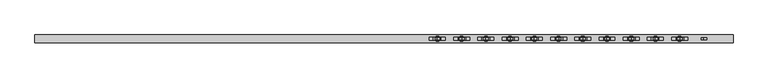
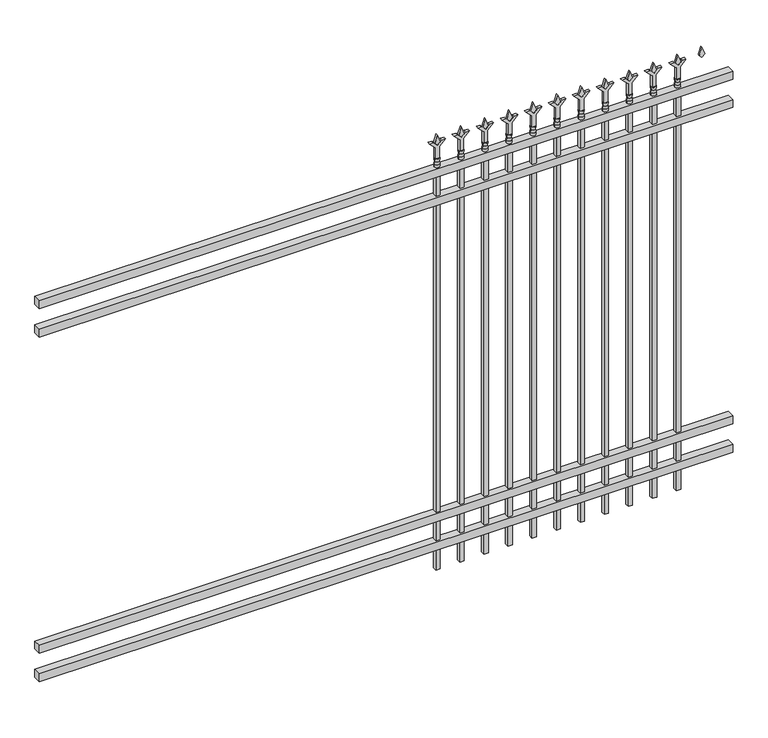
"""IFC4 building model written with IfcOpenShell, lengths in millimetres: railing geometry."""

from ifc_helpers import new_model, si_unit, frame, origin, place, context, project, spatial, polyline, circle_curve, outline, extrude, source, transform, mapped, element, save
from ifc_brep_helpers import plane_surface, cylinder_surface, revolved_surface, advanced_brep


def railing_ec3aab35(model_context):
    return source(origin(), model_context, "Body", "SolidModel", [
        extrude(outline(polyline([(-61345.318087, -9187.1195174), (-61345.318087, -9152.1945174), (-58195.718087, -9152.1945174), (-58195.718087, -9187.1195174), (-61345.318087, -9187.1195174)])), frame((0.0, 0.0, 1943.1), z_axis=(0.0, 0.0, 1.0), x_axis=(1.0, 0.0, 0.0)), (0.0, 0.0, 1.0), 38.1),
        extrude(outline(polyline([(-61345.318087, -9187.1195174), (-61345.318087, -9152.1945174), (-58195.718087, -9152.1945174), (-58195.718087, -9187.1195174), (-61345.318087, -9187.1195174)])), frame((0.0, 0.0, 1806.575), z_axis=(0.0, 0.0, 1.0), x_axis=(1.0, 0.0, 0.0)), (0.0, 0.0, 1.0), 38.1),
        extrude(outline(polyline([(-61345.318087, -9187.1195174), (-61345.318087, -9152.1945174), (-58195.718087, -9152.1945174), (-58195.718087, -9187.1195174), (-61345.318087, -9187.1195174)])), frame((0.0, 0.0, 288.925), z_axis=(0.0, 0.0, 1.0), x_axis=(1.0, 0.0, 0.0)), (0.0, 0.0, 1.0), 38.1),
        extrude(outline(polyline([(-61345.318087, -9187.1195174), (-61345.318087, -9152.1945174), (-58195.718087, -9152.1945174), (-58195.718087, -9187.1195174), (-61345.318087, -9187.1195174)])), frame((0.0, 0.0, 152.4), z_axis=(0.0, 0.0, 1.0), x_axis=(1.0, 0.0, 0.0)), (0.0, 0.0, 1.0), 38.1),
        extrude(outline(polyline([(2097.88125, -58424.8472536), (2133.6, -58436.7535036), (2097.88125, -58448.6597536), (2085.975, -58436.7535036), (2097.88125, -58424.8472536)])), frame((0.0, -9174.4195174, 0.0), z_axis=(0.0, 1.0, 0.0), x_axis=(0.0, 0.0, 1.0)), (0.0, 0.0, 1.0), 9.525),
        extrude(outline(polyline([(2022.475, -58428.0222536), (2076.7457378, -58428.0222536), (2103.9355122, -58400.8324791), (2103.9355122, -58418.7929914), (2085.975, -58436.7535036), (2103.9355122, -58454.7140159), (2103.9355122, -58472.6745281), (2076.7457378, -58445.4847536), (2022.475, -58445.4847536), (2022.475, -58428.0222536)])), frame((0.0, -9176.0070174, 0.0), z_axis=(0.0, 1.0, 0.0), x_axis=(0.0, 0.0, 1.0)), (0.0, 0.0, 1.0), 12.7),
        advanced_brep(
        [(-58424.8472536, -9169.6570174, 1993.9), (-58448.6597536, -9169.6570174, 1993.9), (-58448.6597536, -9169.6570174, 1981.2), (-58424.8472536, -9169.6570174, 1981.2), (-58427.0525855, -9169.6570174, 2006.4070585), (-58446.4544218, -9169.6570174, 2006.4070585), (-58424.8472536, -9169.6570174, 2022.475), (-58448.6597536, -9169.6570174, 2022.475), (-58436.7535036, -9169.6570174, 2022.475), (-58436.7535036, -9169.6570174, 1981.2)],
        [
            (0, 1, circle_curve(frame((-58436.7535036, -9169.6570174, 1993.9), z_axis=(0.0, 0.0, -1.0), x_axis=(-1.0, 0.0, 0.0)), 11.90625)),
            (1, 2),
            (2, 3, circle_curve(frame((-58436.7535036, -9169.6570174, 1981.2), z_axis=(0.0, 0.0, 1.0), x_axis=(-1.0, 0.0, 0.0)), 11.90625)),
            (3, 0),
            (1, 0, circle_curve(frame((-58436.7535036, -9169.6570174, 1993.9), z_axis=(0.0, 0.0, -1.0), x_axis=(-1.0, 0.0, 0.0)), 11.90625)),
            (3, 2, circle_curve(frame((-58436.7535036, -9169.6570174, 1981.2), z_axis=(0.0, 0.0, 1.0), x_axis=(-1.0, 0.0, 0.0)), 11.90625)),
            (4, 5, circle_curve(frame((-58436.7535036, -9169.6570174, 2006.4070585), z_axis=(0.0, 0.0, -1.0), x_axis=(-1.0, 0.0, 0.0)), 9.7009181)),
            (5, 1),
            (0, 4),
            (5, 4, circle_curve(frame((-58436.7535036, -9169.6570174, 2006.4070585), z_axis=(0.0, 0.0, -1.0), x_axis=(-1.0, 0.0, 0.0)), 9.7009181)),
            (6, 7, circle_curve(frame((-58436.7535036, -9169.6570174, 2022.475), z_axis=(0.0, 0.0, -1.0), x_axis=(-1.0, 0.0, 0.0)), 11.90625)),
            (7, 5),
            (4, 6),
            (7, 6, circle_curve(frame((-58436.7535036, -9169.6570174, 2022.475), z_axis=(0.0, 0.0, -1.0), x_axis=(-1.0, 0.0, 0.0)), 11.90625)),
            (8, 7),
            (6, 8),
            (2, 9),
            (9, 3),
        ],
        [
            cylinder_surface(frame((-58436.7535036, -9169.6570174, 1981.2), z_axis=(0.0, 0.0, 1.0), x_axis=(-1.0, 0.0, 0.0)), 11.90625),
            revolved_surface(polyline([(-58448.6597536, -9169.6570174, 1993.9), (-58446.4544218, -9169.6570174, 2006.4070585)]), (-58436.7535036, -9169.6570174, 1981.2), (0.0, 0.0, 1.0)),
            revolved_surface(polyline([(-58446.4544218, -9169.6570174, 2006.4070585), (-58448.6597536, -9169.6570174, 2022.475)]), (-58436.7535036, -9169.6570174, 1981.2), (0.0, 0.0, 1.0)),
            plane_surface(frame((-58436.7535036, -9169.6570174, 2022.475), z_axis=(0.0, 0.0, 1.0), x_axis=(-1.0, 0.0, 0.0))),
            plane_surface(frame((-58436.7535036, -9169.6570174, 1981.2), z_axis=(0.0, 0.0, -1.0), x_axis=(-1.0, 0.0, 0.0))),
        ],
        [
            (0, [[1, 2, 3, 4]]),
            (0, [[5, -4, 6, -2]]),
            (1, [[7, 8, -1, 9]]),
            (1, [[10, -9, -5, -8]]),
            (2, [[11, 12, -7, 13]]),
            (2, [[14, -13, -10, -12]]),
            (3, [[15, -11, 16]]),
            (3, [[-16, -14, -15]]),
            (4, [[-3, 17, 18]]),
            (4, [[-6, -18, -17]]),
        ],
    ),
        extrude(outline(polyline([(-58446.2785036, -9160.1320174), (-58427.2285036, -9160.1320174), (-58427.2285036, -9179.1820174), (-58446.2785036, -9179.1820174), (-58446.2785036, -9160.1320174)])), frame((0.0, 0.0, 50.8), z_axis=(0.0, 0.0, 1.0), x_axis=(1.0, 0.0, 0.0)), (0.0, 0.0, 1.0), 1930.4),
        extrude(outline(polyline([(2097.88125, -58534.1201703), (2133.6, -58546.0264203), (2097.88125, -58557.9326703), (2085.975, -58546.0264203), (2097.88125, -58534.1201703)])), frame((0.0, -9174.4195174, 0.0), z_axis=(0.0, 1.0, 0.0), x_axis=(0.0, 0.0, 1.0)), (0.0, 0.0, 1.0), 9.525),
        extrude(outline(polyline([(2022.475, -58537.2951703), (2076.7457378, -58537.2951703), (2103.9355122, -58510.1053958), (2103.9355122, -58528.0659081), (2085.975, -58546.0264203), (2103.9355122, -58563.9869325), (2103.9355122, -58581.9474448), (2076.7457378, -58554.7576703), (2022.475, -58554.7576703), (2022.475, -58537.2951703)])), frame((0.0, -9176.0070174, 0.0), z_axis=(0.0, 1.0, 0.0), x_axis=(0.0, 0.0, 1.0)), (0.0, 0.0, 1.0), 12.7),
        advanced_brep(
        [(-58534.1201703, -9169.6570174, 1993.9), (-58557.9326703, -9169.6570174, 1993.9), (-58557.9326703, -9169.6570174, 1981.2), (-58534.1201703, -9169.6570174, 1981.2), (-58536.3255022, -9169.6570174, 2006.4070585), (-58555.7273384, -9169.6570174, 2006.4070585), (-58534.1201703, -9169.6570174, 2022.475), (-58557.9326703, -9169.6570174, 2022.475), (-58546.0264203, -9169.6570174, 2022.475), (-58546.0264203, -9169.6570174, 1981.2)],
        [
            (0, 1, circle_curve(frame((-58546.0264203, -9169.6570174, 1993.9), z_axis=(0.0, 0.0, -1.0), x_axis=(-1.0, 0.0, 0.0)), 11.90625)),
            (1, 2),
            (2, 3, circle_curve(frame((-58546.0264203, -9169.6570174, 1981.2), z_axis=(0.0, 0.0, 1.0), x_axis=(-1.0, 0.0, 0.0)), 11.90625)),
            (3, 0),
            (1, 0, circle_curve(frame((-58546.0264203, -9169.6570174, 1993.9), z_axis=(0.0, 0.0, -1.0), x_axis=(-1.0, 0.0, 0.0)), 11.90625)),
            (3, 2, circle_curve(frame((-58546.0264203, -9169.6570174, 1981.2), z_axis=(0.0, 0.0, 1.0), x_axis=(-1.0, 0.0, 0.0)), 11.90625)),
            (4, 5, circle_curve(frame((-58546.0264203, -9169.6570174, 2006.4070585), z_axis=(0.0, 0.0, -1.0), x_axis=(-1.0, 0.0, 0.0)), 9.7009181)),
            (5, 1),
            (0, 4),
            (5, 4, circle_curve(frame((-58546.0264203, -9169.6570174, 2006.4070585), z_axis=(0.0, 0.0, -1.0), x_axis=(-1.0, 0.0, 0.0)), 9.7009181)),
            (6, 7, circle_curve(frame((-58546.0264203, -9169.6570174, 2022.475), z_axis=(0.0, 0.0, -1.0), x_axis=(-1.0, 0.0, 0.0)), 11.90625)),
            (7, 5),
            (4, 6),
            (7, 6, circle_curve(frame((-58546.0264203, -9169.6570174, 2022.475), z_axis=(0.0, 0.0, -1.0), x_axis=(-1.0, 0.0, 0.0)), 11.90625)),
            (8, 7),
            (6, 8),
            (2, 9),
            (9, 3),
        ],
        [
            cylinder_surface(frame((-58546.0264203, -9169.6570174, 1981.2), z_axis=(0.0, 0.0, 1.0), x_axis=(-1.0, 0.0, 0.0)), 11.90625),
            revolved_surface(polyline([(-58557.9326703, -9169.6570174, 1993.9), (-58555.7273384, -9169.6570174, 2006.4070585)]), (-58546.0264203, -9169.6570174, 1981.2), (0.0, 0.0, 1.0)),
            revolved_surface(polyline([(-58555.7273384, -9169.6570174, 2006.4070585), (-58557.9326703, -9169.6570174, 2022.475)]), (-58546.0264203, -9169.6570174, 1981.2), (0.0, 0.0, 1.0)),
            plane_surface(frame((-58546.0264203, -9169.6570174, 2022.475), z_axis=(0.0, 0.0, 1.0), x_axis=(-1.0, 0.0, 0.0))),
            plane_surface(frame((-58546.0264203, -9169.6570174, 1981.2), z_axis=(0.0, 0.0, -1.0), x_axis=(-1.0, 0.0, 0.0))),
        ],
        [
            (0, [[1, 2, 3, 4]]),
            (0, [[5, -4, 6, -2]]),
            (1, [[7, 8, -1, 9]]),
            (1, [[10, -9, -5, -8]]),
            (2, [[11, 12, -7, 13]]),
            (2, [[14, -13, -10, -12]]),
            (3, [[15, -11, 16]]),
            (3, [[-16, -14, -15]]),
            (4, [[-3, 17, 18]]),
            (4, [[-6, -18, -17]]),
        ],
    ),
        extrude(outline(polyline([(-58555.5514203, -9160.1320174), (-58536.5014203, -9160.1320174), (-58536.5014203, -9179.1820174), (-58555.5514203, -9179.1820174), (-58555.5514203, -9160.1320174)])), frame((0.0, 0.0, 50.8), z_axis=(0.0, 0.0, 1.0), x_axis=(1.0, 0.0, 0.0)), (0.0, 0.0, 1.0), 1930.4),
        extrude(outline(polyline([(2097.88125, -58643.393087), (2133.6, -58655.299337), (2097.88125, -58667.205587), (2085.975, -58655.299337), (2097.88125, -58643.393087)])), frame((0.0, -9174.4195174, 0.0), z_axis=(0.0, 1.0, 0.0), x_axis=(0.0, 0.0, 1.0)), (0.0, 0.0, 1.0), 9.525),
        extrude(outline(polyline([(2022.475, -58646.568087), (2076.7457378, -58646.568087), (2103.9355122, -58619.3783125), (2103.9355122, -58637.3388247), (2085.975, -58655.299337), (2103.9355122, -58673.2598492), (2103.9355122, -58691.2203614), (2076.7457378, -58664.030587), (2022.475, -58664.030587), (2022.475, -58646.568087)])), frame((0.0, -9176.0070174, 0.0), z_axis=(0.0, 1.0, 0.0), x_axis=(0.0, 0.0, 1.0)), (0.0, 0.0, 1.0), 12.7),
        advanced_brep(
        [(-58643.393087, -9169.6570174, 1993.9), (-58667.205587, -9169.6570174, 1993.9), (-58667.205587, -9169.6570174, 1981.2), (-58643.393087, -9169.6570174, 1981.2), (-58645.5984188, -9169.6570174, 2006.4070585), (-58665.0002551, -9169.6570174, 2006.4070585), (-58643.393087, -9169.6570174, 2022.475), (-58667.205587, -9169.6570174, 2022.475), (-58655.299337, -9169.6570174, 2022.475), (-58655.299337, -9169.6570174, 1981.2)],
        [
            (0, 1, circle_curve(frame((-58655.299337, -9169.6570174, 1993.9), z_axis=(0.0, 0.0, -1.0), x_axis=(-1.0, 0.0, 0.0)), 11.90625)),
            (1, 2),
            (2, 3, circle_curve(frame((-58655.299337, -9169.6570174, 1981.2), z_axis=(0.0, 0.0, 1.0), x_axis=(-1.0, 0.0, 0.0)), 11.90625)),
            (3, 0),
            (1, 0, circle_curve(frame((-58655.299337, -9169.6570174, 1993.9), z_axis=(0.0, 0.0, -1.0), x_axis=(-1.0, 0.0, 0.0)), 11.90625)),
            (3, 2, circle_curve(frame((-58655.299337, -9169.6570174, 1981.2), z_axis=(0.0, 0.0, 1.0), x_axis=(-1.0, 0.0, 0.0)), 11.90625)),
            (4, 5, circle_curve(frame((-58655.299337, -9169.6570174, 2006.4070585), z_axis=(0.0, 0.0, -1.0), x_axis=(-1.0, 0.0, 0.0)), 9.7009181)),
            (5, 1),
            (0, 4),
            (5, 4, circle_curve(frame((-58655.299337, -9169.6570174, 2006.4070585), z_axis=(0.0, 0.0, -1.0), x_axis=(-1.0, 0.0, 0.0)), 9.7009181)),
            (6, 7, circle_curve(frame((-58655.299337, -9169.6570174, 2022.475), z_axis=(0.0, 0.0, -1.0), x_axis=(-1.0, 0.0, 0.0)), 11.90625)),
            (7, 5),
            (4, 6),
            (7, 6, circle_curve(frame((-58655.299337, -9169.6570174, 2022.475), z_axis=(0.0, 0.0, -1.0), x_axis=(-1.0, 0.0, 0.0)), 11.90625)),
            (8, 7),
            (6, 8),
            (2, 9),
            (9, 3),
        ],
        [
            cylinder_surface(frame((-58655.299337, -9169.6570174, 1981.2), z_axis=(0.0, 0.0, 1.0), x_axis=(-1.0, 0.0, 0.0)), 11.90625),
            revolved_surface(polyline([(-58667.205587, -9169.6570174, 1993.9), (-58665.0002551, -9169.6570174, 2006.4070585)]), (-58655.299337, -9169.6570174, 1981.2), (0.0, 0.0, 1.0)),
            revolved_surface(polyline([(-58665.0002551, -9169.6570174, 2006.4070585), (-58667.205587, -9169.6570174, 2022.475)]), (-58655.299337, -9169.6570174, 1981.2), (0.0, 0.0, 1.0)),
            plane_surface(frame((-58655.299337, -9169.6570174, 2022.475), z_axis=(0.0, 0.0, 1.0), x_axis=(-1.0, 0.0, 0.0))),
            plane_surface(frame((-58655.299337, -9169.6570174, 1981.2), z_axis=(0.0, 0.0, -1.0), x_axis=(-1.0, 0.0, 0.0))),
        ],
        [
            (0, [[1, 2, 3, 4]]),
            (0, [[5, -4, 6, -2]]),
            (1, [[7, 8, -1, 9]]),
            (1, [[10, -9, -5, -8]]),
            (2, [[11, 12, -7, 13]]),
            (2, [[14, -13, -10, -12]]),
            (3, [[15, -11, 16]]),
            (3, [[-16, -14, -15]]),
            (4, [[-3, 17, 18]]),
            (4, [[-6, -18, -17]]),
        ],
    ),
        extrude(outline(polyline([(-58664.824337, -9160.1320174), (-58645.774337, -9160.1320174), (-58645.774337, -9179.1820174), (-58664.824337, -9179.1820174), (-58664.824337, -9160.1320174)])), frame((0.0, 0.0, 50.8), z_axis=(0.0, 0.0, 1.0), x_axis=(1.0, 0.0, 0.0)), (0.0, 0.0, 1.0), 1930.4),
        extrude(outline(polyline([(2097.88125, -58752.6660036), (2133.6, -58764.5722536), (2097.88125, -58776.4785036), (2085.975, -58764.5722536), (2097.88125, -58752.6660036)])), frame((0.0, -9174.4195174, 0.0), z_axis=(0.0, 1.0, 0.0), x_axis=(0.0, 0.0, 1.0)), (0.0, 0.0, 1.0), 9.525),
        extrude(outline(polyline([(2022.475, -58755.8410036), (2076.7457378, -58755.8410036), (2103.9355122, -58728.6512291), (2103.9355122, -58746.6117414), (2085.975, -58764.5722536), (2103.9355122, -58782.5327659), (2103.9355122, -58800.4932781), (2076.7457378, -58773.3035036), (2022.475, -58773.3035036), (2022.475, -58755.8410036)])), frame((0.0, -9176.0070174, 0.0), z_axis=(0.0, 1.0, 0.0), x_axis=(0.0, 0.0, 1.0)), (0.0, 0.0, 1.0), 12.7),
        advanced_brep(
        [(-58752.6660036, -9169.6570174, 1993.9), (-58776.4785036, -9169.6570174, 1993.9), (-58776.4785036, -9169.6570174, 1981.2), (-58752.6660036, -9169.6570174, 1981.2), (-58754.8713355, -9169.6570174, 2006.4070585), (-58774.2731718, -9169.6570174, 2006.4070585), (-58752.6660036, -9169.6570174, 2022.475), (-58776.4785036, -9169.6570174, 2022.475), (-58764.5722536, -9169.6570174, 2022.475), (-58764.5722536, -9169.6570174, 1981.2)],
        [
            (0, 1, circle_curve(frame((-58764.5722536, -9169.6570174, 1993.9), z_axis=(0.0, 0.0, -1.0), x_axis=(-1.0, 0.0, 0.0)), 11.90625)),
            (1, 2),
            (2, 3, circle_curve(frame((-58764.5722536, -9169.6570174, 1981.2), z_axis=(0.0, 0.0, 1.0), x_axis=(-1.0, 0.0, 0.0)), 11.90625)),
            (3, 0),
            (1, 0, circle_curve(frame((-58764.5722536, -9169.6570174, 1993.9), z_axis=(0.0, 0.0, -1.0), x_axis=(-1.0, 0.0, 0.0)), 11.90625)),
            (3, 2, circle_curve(frame((-58764.5722536, -9169.6570174, 1981.2), z_axis=(0.0, 0.0, 1.0), x_axis=(-1.0, 0.0, 0.0)), 11.90625)),
            (4, 5, circle_curve(frame((-58764.5722536, -9169.6570174, 2006.4070585), z_axis=(0.0, 0.0, -1.0), x_axis=(-1.0, 0.0, 0.0)), 9.7009181)),
            (5, 1),
            (0, 4),
            (5, 4, circle_curve(frame((-58764.5722536, -9169.6570174, 2006.4070585), z_axis=(0.0, 0.0, -1.0), x_axis=(-1.0, 0.0, 0.0)), 9.7009181)),
            (6, 7, circle_curve(frame((-58764.5722536, -9169.6570174, 2022.475), z_axis=(0.0, 0.0, -1.0), x_axis=(-1.0, 0.0, 0.0)), 11.90625)),
            (7, 5),
            (4, 6),
            (7, 6, circle_curve(frame((-58764.5722536, -9169.6570174, 2022.475), z_axis=(0.0, 0.0, -1.0), x_axis=(-1.0, 0.0, 0.0)), 11.90625)),
            (8, 7),
            (6, 8),
            (2, 9),
            (9, 3),
        ],
        [
            cylinder_surface(frame((-58764.5722536, -9169.6570174, 1981.2), z_axis=(0.0, 0.0, 1.0), x_axis=(-1.0, 0.0, 0.0)), 11.90625),
            revolved_surface(polyline([(-58776.4785036, -9169.6570174, 1993.9), (-58774.2731718, -9169.6570174, 2006.4070585)]), (-58764.5722536, -9169.6570174, 1981.2), (0.0, 0.0, 1.0)),
            revolved_surface(polyline([(-58774.2731718, -9169.6570174, 2006.4070585), (-58776.4785036, -9169.6570174, 2022.475)]), (-58764.5722536, -9169.6570174, 1981.2), (0.0, 0.0, 1.0)),
            plane_surface(frame((-58764.5722536, -9169.6570174, 2022.475), z_axis=(0.0, 0.0, 1.0), x_axis=(-1.0, 0.0, 0.0))),
            plane_surface(frame((-58764.5722536, -9169.6570174, 1981.2), z_axis=(0.0, 0.0, -1.0), x_axis=(-1.0, 0.0, 0.0))),
        ],
        [
            (0, [[1, 2, 3, 4]]),
            (0, [[5, -4, 6, -2]]),
            (1, [[7, 8, -1, 9]]),
            (1, [[10, -9, -5, -8]]),
            (2, [[11, 12, -7, 13]]),
            (2, [[14, -13, -10, -12]]),
            (3, [[15, -11, 16]]),
            (3, [[-16, -14, -15]]),
            (4, [[-3, 17, 18]]),
            (4, [[-6, -18, -17]]),
        ],
    ),
        extrude(outline(polyline([(-58774.0972536, -9160.1320174), (-58755.0472536, -9160.1320174), (-58755.0472536, -9179.1820174), (-58774.0972536, -9179.1820174), (-58774.0972536, -9160.1320174)])), frame((0.0, 0.0, 50.8), z_axis=(0.0, 0.0, 1.0), x_axis=(1.0, 0.0, 0.0)), (0.0, 0.0, 1.0), 1930.4),
        extrude(outline(polyline([(2097.88125, -58861.9389203), (2133.6, -58873.8451703), (2097.88125, -58885.7514203), (2085.975, -58873.8451703), (2097.88125, -58861.9389203)])), frame((0.0, -9174.4195174, 0.0), z_axis=(0.0, 1.0, 0.0), x_axis=(0.0, 0.0, 1.0)), (0.0, 0.0, 1.0), 9.525),
        extrude(outline(polyline([(2022.475, -58865.1139203), (2076.7457378, -58865.1139203), (2103.9355122, -58837.9241458), (2103.9355122, -58855.8846581), (2085.975, -58873.8451703), (2103.9355122, -58891.8056825), (2103.9355122, -58909.7661948), (2076.7457378, -58882.5764203), (2022.475, -58882.5764203), (2022.475, -58865.1139203)])), frame((0.0, -9176.0070174, 0.0), z_axis=(0.0, 1.0, 0.0), x_axis=(0.0, 0.0, 1.0)), (0.0, 0.0, 1.0), 12.7),
        advanced_brep(
        [(-58861.9389203, -9169.6570174, 1993.9), (-58885.7514203, -9169.6570174, 1993.9), (-58885.7514203, -9169.6570174, 1981.2), (-58861.9389203, -9169.6570174, 1981.2), (-58864.1442522, -9169.6570174, 2006.4070585), (-58883.5460884, -9169.6570174, 2006.4070585), (-58861.9389203, -9169.6570174, 2022.475), (-58885.7514203, -9169.6570174, 2022.475), (-58873.8451703, -9169.6570174, 2022.475), (-58873.8451703, -9169.6570174, 1981.2)],
        [
            (0, 1, circle_curve(frame((-58873.8451703, -9169.6570174, 1993.9), z_axis=(0.0, 0.0, -1.0), x_axis=(-1.0, 0.0, 0.0)), 11.90625)),
            (1, 2),
            (2, 3, circle_curve(frame((-58873.8451703, -9169.6570174, 1981.2), z_axis=(0.0, 0.0, 1.0), x_axis=(-1.0, 0.0, 0.0)), 11.90625)),
            (3, 0),
            (1, 0, circle_curve(frame((-58873.8451703, -9169.6570174, 1993.9), z_axis=(0.0, 0.0, -1.0), x_axis=(-1.0, 0.0, 0.0)), 11.90625)),
            (3, 2, circle_curve(frame((-58873.8451703, -9169.6570174, 1981.2), z_axis=(0.0, 0.0, 1.0), x_axis=(-1.0, 0.0, 0.0)), 11.90625)),
            (4, 5, circle_curve(frame((-58873.8451703, -9169.6570174, 2006.4070585), z_axis=(0.0, 0.0, -1.0), x_axis=(-1.0, 0.0, 0.0)), 9.7009181)),
            (5, 1),
            (0, 4),
            (5, 4, circle_curve(frame((-58873.8451703, -9169.6570174, 2006.4070585), z_axis=(0.0, 0.0, -1.0), x_axis=(-1.0, 0.0, 0.0)), 9.7009181)),
            (6, 7, circle_curve(frame((-58873.8451703, -9169.6570174, 2022.475), z_axis=(0.0, 0.0, -1.0), x_axis=(-1.0, 0.0, 0.0)), 11.90625)),
            (7, 5),
            (4, 6),
            (7, 6, circle_curve(frame((-58873.8451703, -9169.6570174, 2022.475), z_axis=(0.0, 0.0, -1.0), x_axis=(-1.0, 0.0, 0.0)), 11.90625)),
            (8, 7),
            (6, 8),
            (2, 9),
            (9, 3),
        ],
        [
            cylinder_surface(frame((-58873.8451703, -9169.6570174, 1981.2), z_axis=(0.0, 0.0, 1.0), x_axis=(-1.0, 0.0, 0.0)), 11.90625),
            revolved_surface(polyline([(-58885.7514203, -9169.6570174, 1993.9), (-58883.5460884, -9169.6570174, 2006.4070585)]), (-58873.8451703, -9169.6570174, 1981.2), (0.0, 0.0, 1.0)),
            revolved_surface(polyline([(-58883.5460884, -9169.6570174, 2006.4070585), (-58885.7514203, -9169.6570174, 2022.475)]), (-58873.8451703, -9169.6570174, 1981.2), (0.0, 0.0, 1.0)),
            plane_surface(frame((-58873.8451703, -9169.6570174, 2022.475), z_axis=(0.0, 0.0, 1.0), x_axis=(-1.0, 0.0, 0.0))),
            plane_surface(frame((-58873.8451703, -9169.6570174, 1981.2), z_axis=(0.0, 0.0, -1.0), x_axis=(-1.0, 0.0, 0.0))),
        ],
        [
            (0, [[1, 2, 3, 4]]),
            (0, [[5, -4, 6, -2]]),
            (1, [[7, 8, -1, 9]]),
            (1, [[10, -9, -5, -8]]),
            (2, [[11, 12, -7, 13]]),
            (2, [[14, -13, -10, -12]]),
            (3, [[15, -11, 16]]),
            (3, [[-16, -14, -15]]),
            (4, [[-3, 17, 18]]),
            (4, [[-6, -18, -17]]),
        ],
    ),
        extrude(outline(polyline([(-58883.3701703, -9160.1320174), (-58864.3201703, -9160.1320174), (-58864.3201703, -9179.1820174), (-58883.3701703, -9179.1820174), (-58883.3701703, -9160.1320174)])), frame((0.0, 0.0, 50.8), z_axis=(0.0, 0.0, 1.0), x_axis=(1.0, 0.0, 0.0)), (0.0, 0.0, 1.0), 1930.4),
        extrude(outline(polyline([(2097.88125, -58971.211837), (2133.6, -58983.118087), (2097.88125, -58995.024337), (2085.975, -58983.118087), (2097.88125, -58971.211837)])), frame((0.0, -9174.4195174, 0.0), z_axis=(0.0, 1.0, 0.0), x_axis=(0.0, 0.0, 1.0)), (0.0, 0.0, 1.0), 9.525),
        extrude(outline(polyline([(2022.475, -58974.386837), (2076.7457378, -58974.386837), (2103.9355122, -58947.1970625), (2103.9355122, -58965.1575747), (2085.975, -58983.118087), (2103.9355122, -59001.0785992), (2103.9355122, -59019.0391114), (2076.7457378, -58991.849337), (2022.475, -58991.849337), (2022.475, -58974.386837)])), frame((0.0, -9176.0070174, 0.0), z_axis=(0.0, 1.0, 0.0), x_axis=(0.0, 0.0, 1.0)), (0.0, 0.0, 1.0), 12.7),
        advanced_brep(
        [(-58971.211837, -9169.6570174, 1993.9), (-58995.024337, -9169.6570174, 1993.9), (-58995.024337, -9169.6570174, 1981.2), (-58971.211837, -9169.6570174, 1981.2), (-58973.4171688, -9169.6570174, 2006.4070585), (-58992.8190051, -9169.6570174, 2006.4070585), (-58971.211837, -9169.6570174, 2022.475), (-58995.024337, -9169.6570174, 2022.475), (-58983.118087, -9169.6570174, 2022.475), (-58983.118087, -9169.6570174, 1981.2)],
        [
            (0, 1, circle_curve(frame((-58983.118087, -9169.6570174, 1993.9), z_axis=(0.0, 0.0, -1.0), x_axis=(-1.0, 0.0, 0.0)), 11.90625)),
            (1, 2),
            (2, 3, circle_curve(frame((-58983.118087, -9169.6570174, 1981.2), z_axis=(0.0, 0.0, 1.0), x_axis=(-1.0, 0.0, 0.0)), 11.90625)),
            (3, 0),
            (1, 0, circle_curve(frame((-58983.118087, -9169.6570174, 1993.9), z_axis=(0.0, 0.0, -1.0), x_axis=(-1.0, 0.0, 0.0)), 11.90625)),
            (3, 2, circle_curve(frame((-58983.118087, -9169.6570174, 1981.2), z_axis=(0.0, 0.0, 1.0), x_axis=(-1.0, 0.0, 0.0)), 11.90625)),
            (4, 5, circle_curve(frame((-58983.118087, -9169.6570174, 2006.4070585), z_axis=(0.0, 0.0, -1.0), x_axis=(-1.0, 0.0, 0.0)), 9.7009181)),
            (5, 1),
            (0, 4),
            (5, 4, circle_curve(frame((-58983.118087, -9169.6570174, 2006.4070585), z_axis=(0.0, 0.0, -1.0), x_axis=(-1.0, 0.0, 0.0)), 9.7009181)),
            (6, 7, circle_curve(frame((-58983.118087, -9169.6570174, 2022.475), z_axis=(0.0, 0.0, -1.0), x_axis=(-1.0, 0.0, 0.0)), 11.90625)),
            (7, 5),
            (4, 6),
            (7, 6, circle_curve(frame((-58983.118087, -9169.6570174, 2022.475), z_axis=(0.0, 0.0, -1.0), x_axis=(-1.0, 0.0, 0.0)), 11.90625)),
            (8, 7),
            (6, 8),
            (2, 9),
            (9, 3),
        ],
        [
            cylinder_surface(frame((-58983.118087, -9169.6570174, 1981.2), z_axis=(0.0, 0.0, 1.0), x_axis=(-1.0, 0.0, 0.0)), 11.90625),
            revolved_surface(polyline([(-58995.024337, -9169.6570174, 1993.9), (-58992.8190051, -9169.6570174, 2006.4070585)]), (-58983.118087, -9169.6570174, 1981.2), (0.0, 0.0, 1.0)),
            revolved_surface(polyline([(-58992.8190051, -9169.6570174, 2006.4070585), (-58995.024337, -9169.6570174, 2022.475)]), (-58983.118087, -9169.6570174, 1981.2), (0.0, 0.0, 1.0)),
            plane_surface(frame((-58983.118087, -9169.6570174, 2022.475), z_axis=(0.0, 0.0, 1.0), x_axis=(-1.0, 0.0, 0.0))),
            plane_surface(frame((-58983.118087, -9169.6570174, 1981.2), z_axis=(0.0, 0.0, -1.0), x_axis=(-1.0, 0.0, 0.0))),
        ],
        [
            (0, [[1, 2, 3, 4]]),
            (0, [[5, -4, 6, -2]]),
            (1, [[7, 8, -1, 9]]),
            (1, [[10, -9, -5, -8]]),
            (2, [[11, 12, -7, 13]]),
            (2, [[14, -13, -10, -12]]),
            (3, [[15, -11, 16]]),
            (3, [[-16, -14, -15]]),
            (4, [[-3, 17, 18]]),
            (4, [[-6, -18, -17]]),
        ],
    ),
        extrude(outline(polyline([(-58992.643087, -9160.1320174), (-58973.593087, -9160.1320174), (-58973.593087, -9179.1820174), (-58992.643087, -9179.1820174), (-58992.643087, -9160.1320174)])), frame((0.0, 0.0, 50.8), z_axis=(0.0, 0.0, 1.0), x_axis=(1.0, 0.0, 0.0)), (0.0, 0.0, 1.0), 1930.4),
        extrude(outline(polyline([(2097.88125, -59080.4847536), (2133.6, -59092.3910036), (2097.88125, -59104.2972536), (2085.975, -59092.3910036), (2097.88125, -59080.4847536)])), frame((0.0, -9174.4195174, 0.0), z_axis=(0.0, 1.0, 0.0), x_axis=(0.0, 0.0, 1.0)), (0.0, 0.0, 1.0), 9.525),
        extrude(outline(polyline([(2022.475, -59083.6597536), (2076.7457378, -59083.6597536), (2103.9355122, -59056.4699791), (2103.9355122, -59074.4304914), (2085.975, -59092.3910036), (2103.9355122, -59110.3515159), (2103.9355122, -59128.3120281), (2076.7457378, -59101.1222536), (2022.475, -59101.1222536), (2022.475, -59083.6597536)])), frame((0.0, -9176.0070174, 0.0), z_axis=(0.0, 1.0, 0.0), x_axis=(0.0, 0.0, 1.0)), (0.0, 0.0, 1.0), 12.7),
        advanced_brep(
        [(-59080.4847536, -9169.6570174, 1993.9), (-59104.2972536, -9169.6570174, 1993.9), (-59104.2972536, -9169.6570174, 1981.2), (-59080.4847536, -9169.6570174, 1981.2), (-59082.6900855, -9169.6570174, 2006.4070585), (-59102.0919218, -9169.6570174, 2006.4070585), (-59080.4847536, -9169.6570174, 2022.475), (-59104.2972536, -9169.6570174, 2022.475), (-59092.3910036, -9169.6570174, 2022.475), (-59092.3910036, -9169.6570174, 1981.2)],
        [
            (0, 1, circle_curve(frame((-59092.3910036, -9169.6570174, 1993.9), z_axis=(0.0, 0.0, -1.0), x_axis=(-1.0, 0.0, 0.0)), 11.90625)),
            (1, 2),
            (2, 3, circle_curve(frame((-59092.3910036, -9169.6570174, 1981.2), z_axis=(0.0, 0.0, 1.0), x_axis=(-1.0, 0.0, 0.0)), 11.90625)),
            (3, 0),
            (1, 0, circle_curve(frame((-59092.3910036, -9169.6570174, 1993.9), z_axis=(0.0, 0.0, -1.0), x_axis=(-1.0, 0.0, 0.0)), 11.90625)),
            (3, 2, circle_curve(frame((-59092.3910036, -9169.6570174, 1981.2), z_axis=(0.0, 0.0, 1.0), x_axis=(-1.0, 0.0, 0.0)), 11.90625)),
            (4, 5, circle_curve(frame((-59092.3910036, -9169.6570174, 2006.4070585), z_axis=(0.0, 0.0, -1.0), x_axis=(-1.0, 0.0, 0.0)), 9.7009181)),
            (5, 1),
            (0, 4),
            (5, 4, circle_curve(frame((-59092.3910036, -9169.6570174, 2006.4070585), z_axis=(0.0, 0.0, -1.0), x_axis=(-1.0, 0.0, 0.0)), 9.7009181)),
            (6, 7, circle_curve(frame((-59092.3910036, -9169.6570174, 2022.475), z_axis=(0.0, 0.0, -1.0), x_axis=(-1.0, 0.0, 0.0)), 11.90625)),
            (7, 5),
            (4, 6),
            (7, 6, circle_curve(frame((-59092.3910036, -9169.6570174, 2022.475), z_axis=(0.0, 0.0, -1.0), x_axis=(-1.0, 0.0, 0.0)), 11.90625)),
            (8, 7),
            (6, 8),
            (2, 9),
            (9, 3),
        ],
        [
            cylinder_surface(frame((-59092.3910036, -9169.6570174, 1981.2), z_axis=(0.0, 0.0, 1.0), x_axis=(-1.0, 0.0, 0.0)), 11.90625),
            revolved_surface(polyline([(-59104.2972536, -9169.6570174, 1993.9), (-59102.0919218, -9169.6570174, 2006.4070585)]), (-59092.3910036, -9169.6570174, 1981.2), (0.0, 0.0, 1.0)),
            revolved_surface(polyline([(-59102.0919218, -9169.6570174, 2006.4070585), (-59104.2972536, -9169.6570174, 2022.475)]), (-59092.3910036, -9169.6570174, 1981.2), (0.0, 0.0, 1.0)),
            plane_surface(frame((-59092.3910036, -9169.6570174, 2022.475), z_axis=(0.0, 0.0, 1.0), x_axis=(-1.0, 0.0, 0.0))),
            plane_surface(frame((-59092.3910036, -9169.6570174, 1981.2), z_axis=(0.0, 0.0, -1.0), x_axis=(-1.0, 0.0, 0.0))),
        ],
        [
            (0, [[1, 2, 3, 4]]),
            (0, [[5, -4, 6, -2]]),
            (1, [[7, 8, -1, 9]]),
            (1, [[10, -9, -5, -8]]),
            (2, [[11, 12, -7, 13]]),
            (2, [[14, -13, -10, -12]]),
            (3, [[15, -11, 16]]),
            (3, [[-16, -14, -15]]),
            (4, [[-3, 17, 18]]),
            (4, [[-6, -18, -17]]),
        ],
    ),
        extrude(outline(polyline([(-59101.9160036, -9160.1320174), (-59082.8660036, -9160.1320174), (-59082.8660036, -9179.1820174), (-59101.9160036, -9179.1820174), (-59101.9160036, -9160.1320174)])), frame((0.0, 0.0, 50.8), z_axis=(0.0, 0.0, 1.0), x_axis=(1.0, 0.0, 0.0)), (0.0, 0.0, 1.0), 1930.4),
        extrude(outline(polyline([(2097.88125, -59189.7576703), (2133.6, -59201.6639203), (2097.88125, -59213.5701703), (2085.975, -59201.6639203), (2097.88125, -59189.7576703)])), frame((0.0, -9174.4195174, 0.0), z_axis=(0.0, 1.0, 0.0), x_axis=(0.0, 0.0, 1.0)), (0.0, 0.0, 1.0), 9.525),
        extrude(outline(polyline([(2022.475, -59192.9326703), (2076.7457378, -59192.9326703), (2103.9355122, -59165.7428958), (2103.9355122, -59183.7034081), (2085.975, -59201.6639203), (2103.9355122, -59219.6244325), (2103.9355122, -59237.5849448), (2076.7457378, -59210.3951703), (2022.475, -59210.3951703), (2022.475, -59192.9326703)])), frame((0.0, -9176.0070174, 0.0), z_axis=(0.0, 1.0, 0.0), x_axis=(0.0, 0.0, 1.0)), (0.0, 0.0, 1.0), 12.7),
        advanced_brep(
        [(-59189.7576703, -9169.6570174, 1993.9), (-59213.5701703, -9169.6570174, 1993.9), (-59213.5701703, -9169.6570174, 1981.2), (-59189.7576703, -9169.6570174, 1981.2), (-59191.9630022, -9169.6570174, 2006.4070585), (-59211.3648384, -9169.6570174, 2006.4070585), (-59189.7576703, -9169.6570174, 2022.475), (-59213.5701703, -9169.6570174, 2022.475), (-59201.6639203, -9169.6570174, 2022.475), (-59201.6639203, -9169.6570174, 1981.2)],
        [
            (0, 1, circle_curve(frame((-59201.6639203, -9169.6570174, 1993.9), z_axis=(0.0, 0.0, -1.0), x_axis=(-1.0, 0.0, 0.0)), 11.90625)),
            (1, 2),
            (2, 3, circle_curve(frame((-59201.6639203, -9169.6570174, 1981.2), z_axis=(0.0, 0.0, 1.0), x_axis=(-1.0, 0.0, 0.0)), 11.90625)),
            (3, 0),
            (1, 0, circle_curve(frame((-59201.6639203, -9169.6570174, 1993.9), z_axis=(0.0, 0.0, -1.0), x_axis=(-1.0, 0.0, 0.0)), 11.90625)),
            (3, 2, circle_curve(frame((-59201.6639203, -9169.6570174, 1981.2), z_axis=(0.0, 0.0, 1.0), x_axis=(-1.0, 0.0, 0.0)), 11.90625)),
            (4, 5, circle_curve(frame((-59201.6639203, -9169.6570174, 2006.4070585), z_axis=(0.0, 0.0, -1.0), x_axis=(-1.0, 0.0, 0.0)), 9.7009181)),
            (5, 1),
            (0, 4),
            (5, 4, circle_curve(frame((-59201.6639203, -9169.6570174, 2006.4070585), z_axis=(0.0, 0.0, -1.0), x_axis=(-1.0, 0.0, 0.0)), 9.7009181)),
            (6, 7, circle_curve(frame((-59201.6639203, -9169.6570174, 2022.475), z_axis=(0.0, 0.0, -1.0), x_axis=(-1.0, 0.0, 0.0)), 11.90625)),
            (7, 5),
            (4, 6),
            (7, 6, circle_curve(frame((-59201.6639203, -9169.6570174, 2022.475), z_axis=(0.0, 0.0, -1.0), x_axis=(-1.0, 0.0, 0.0)), 11.90625)),
            (8, 7),
            (6, 8),
            (2, 9),
            (9, 3),
        ],
        [
            cylinder_surface(frame((-59201.6639203, -9169.6570174, 1981.2), z_axis=(0.0, 0.0, 1.0), x_axis=(-1.0, 0.0, 0.0)), 11.90625),
            revolved_surface(polyline([(-59213.5701703, -9169.6570174, 1993.9), (-59211.3648384, -9169.6570174, 2006.4070585)]), (-59201.6639203, -9169.6570174, 1981.2), (0.0, 0.0, 1.0)),
            revolved_surface(polyline([(-59211.3648384, -9169.6570174, 2006.4070585), (-59213.5701703, -9169.6570174, 2022.475)]), (-59201.6639203, -9169.6570174, 1981.2), (0.0, 0.0, 1.0)),
            plane_surface(frame((-59201.6639203, -9169.6570174, 2022.475), z_axis=(0.0, 0.0, 1.0), x_axis=(-1.0, 0.0, 0.0))),
            plane_surface(frame((-59201.6639203, -9169.6570174, 1981.2), z_axis=(0.0, 0.0, -1.0), x_axis=(-1.0, 0.0, 0.0))),
        ],
        [
            (0, [[1, 2, 3, 4]]),
            (0, [[5, -4, 6, -2]]),
            (1, [[7, 8, -1, 9]]),
            (1, [[10, -9, -5, -8]]),
            (2, [[11, 12, -7, 13]]),
            (2, [[14, -13, -10, -12]]),
            (3, [[15, -11, 16]]),
            (3, [[-16, -14, -15]]),
            (4, [[-3, 17, 18]]),
            (4, [[-6, -18, -17]]),
        ],
    ),
        extrude(outline(polyline([(-59211.1889203, -9160.1320174), (-59192.1389203, -9160.1320174), (-59192.1389203, -9179.1820174), (-59211.1889203, -9179.1820174), (-59211.1889203, -9160.1320174)])), frame((0.0, 0.0, 50.8), z_axis=(0.0, 0.0, 1.0), x_axis=(1.0, 0.0, 0.0)), (0.0, 0.0, 1.0), 1930.4),
        extrude(outline(polyline([(2097.88125, -59299.030587), (2133.6, -59310.936837), (2097.88125, -59322.843087), (2085.975, -59310.936837), (2097.88125, -59299.030587)])), frame((0.0, -9174.4195174, 0.0), z_axis=(0.0, 1.0, 0.0), x_axis=(0.0, 0.0, 1.0)), (0.0, 0.0, 1.0), 9.525),
        extrude(outline(polyline([(2022.475, -59302.205587), (2076.7457378, -59302.205587), (2103.9355122, -59275.0158125), (2103.9355122, -59292.9763247), (2085.975, -59310.936837), (2103.9355122, -59328.8973492), (2103.9355122, -59346.8578614), (2076.7457378, -59319.668087), (2022.475, -59319.668087), (2022.475, -59302.205587)])), frame((0.0, -9176.0070174, 0.0), z_axis=(0.0, 1.0, 0.0), x_axis=(0.0, 0.0, 1.0)), (0.0, 0.0, 1.0), 12.7),
        advanced_brep(
        [(-59299.030587, -9169.6570174, 1993.9), (-59322.843087, -9169.6570174, 1993.9), (-59322.843087, -9169.6570174, 1981.2), (-59299.030587, -9169.6570174, 1981.2), (-59301.2359188, -9169.6570174, 2006.4070585), (-59320.6377551, -9169.6570174, 2006.4070585), (-59299.030587, -9169.6570174, 2022.475), (-59322.843087, -9169.6570174, 2022.475), (-59310.936837, -9169.6570174, 2022.475), (-59310.936837, -9169.6570174, 1981.2)],
        [
            (0, 1, circle_curve(frame((-59310.936837, -9169.6570174, 1993.9), z_axis=(0.0, 0.0, -1.0), x_axis=(-1.0, 0.0, 0.0)), 11.90625)),
            (1, 2),
            (2, 3, circle_curve(frame((-59310.936837, -9169.6570174, 1981.2), z_axis=(0.0, 0.0, 1.0), x_axis=(-1.0, 0.0, 0.0)), 11.90625)),
            (3, 0),
            (1, 0, circle_curve(frame((-59310.936837, -9169.6570174, 1993.9), z_axis=(0.0, 0.0, -1.0), x_axis=(-1.0, 0.0, 0.0)), 11.90625)),
            (3, 2, circle_curve(frame((-59310.936837, -9169.6570174, 1981.2), z_axis=(0.0, 0.0, 1.0), x_axis=(-1.0, 0.0, 0.0)), 11.90625)),
            (4, 5, circle_curve(frame((-59310.936837, -9169.6570174, 2006.4070585), z_axis=(0.0, 0.0, -1.0), x_axis=(-1.0, 0.0, 0.0)), 9.7009181)),
            (5, 1),
            (0, 4),
            (5, 4, circle_curve(frame((-59310.936837, -9169.6570174, 2006.4070585), z_axis=(0.0, 0.0, -1.0), x_axis=(-1.0, 0.0, 0.0)), 9.7009181)),
            (6, 7, circle_curve(frame((-59310.936837, -9169.6570174, 2022.475), z_axis=(0.0, 0.0, -1.0), x_axis=(-1.0, 0.0, 0.0)), 11.90625)),
            (7, 5),
            (4, 6),
            (7, 6, circle_curve(frame((-59310.936837, -9169.6570174, 2022.475), z_axis=(0.0, 0.0, -1.0), x_axis=(-1.0, 0.0, 0.0)), 11.90625)),
            (8, 7),
            (6, 8),
            (2, 9),
            (9, 3),
        ],
        [
            cylinder_surface(frame((-59310.936837, -9169.6570174, 1981.2), z_axis=(0.0, 0.0, 1.0), x_axis=(-1.0, 0.0, 0.0)), 11.90625),
            revolved_surface(polyline([(-59322.843087, -9169.6570174, 1993.9), (-59320.6377551, -9169.6570174, 2006.4070585)]), (-59310.936837, -9169.6570174, 1981.2), (0.0, 0.0, 1.0)),
            revolved_surface(polyline([(-59320.6377551, -9169.6570174, 2006.4070585), (-59322.843087, -9169.6570174, 2022.475)]), (-59310.936837, -9169.6570174, 1981.2), (0.0, 0.0, 1.0)),
            plane_surface(frame((-59310.936837, -9169.6570174, 2022.475), z_axis=(0.0, 0.0, 1.0), x_axis=(-1.0, 0.0, 0.0))),
            plane_surface(frame((-59310.936837, -9169.6570174, 1981.2), z_axis=(0.0, 0.0, -1.0), x_axis=(-1.0, 0.0, 0.0))),
        ],
        [
            (0, [[1, 2, 3, 4]]),
            (0, [[5, -4, 6, -2]]),
            (1, [[7, 8, -1, 9]]),
            (1, [[10, -9, -5, -8]]),
            (2, [[11, 12, -7, 13]]),
            (2, [[14, -13, -10, -12]]),
            (3, [[15, -11, 16]]),
            (3, [[-16, -14, -15]]),
            (4, [[-3, 17, 18]]),
            (4, [[-6, -18, -17]]),
        ],
    ),
        extrude(outline(polyline([(-59320.461837, -9160.1320174), (-59301.411837, -9160.1320174), (-59301.411837, -9179.1820174), (-59320.461837, -9179.1820174), (-59320.461837, -9160.1320174)])), frame((0.0, 0.0, 50.8), z_axis=(0.0, 0.0, 1.0), x_axis=(1.0, 0.0, 0.0)), (0.0, 0.0, 1.0), 1930.4),
        extrude(outline(polyline([(2097.88125, -59408.3035036), (2133.6, -59420.2097536), (2097.88125, -59432.1160036), (2085.975, -59420.2097536), (2097.88125, -59408.3035036)])), frame((0.0, -9174.4195174, 0.0), z_axis=(0.0, 1.0, 0.0), x_axis=(0.0, 0.0, 1.0)), (0.0, 0.0, 1.0), 9.525),
        extrude(outline(polyline([(2022.475, -59411.4785036), (2076.7457378, -59411.4785036), (2103.9355122, -59384.2887291), (2103.9355122, -59402.2492414), (2085.975, -59420.2097536), (2103.9355122, -59438.1702659), (2103.9355122, -59456.1307781), (2076.7457378, -59428.9410036), (2022.475, -59428.9410036), (2022.475, -59411.4785036)])), frame((0.0, -9176.0070174, 0.0), z_axis=(0.0, 1.0, 0.0), x_axis=(0.0, 0.0, 1.0)), (0.0, 0.0, 1.0), 12.7),
        advanced_brep(
        [(-59408.3035036, -9169.6570174, 1993.9), (-59432.1160036, -9169.6570174, 1993.9), (-59432.1160036, -9169.6570174, 1981.2), (-59408.3035036, -9169.6570174, 1981.2), (-59410.5088355, -9169.6570174, 2006.4070585), (-59429.9106718, -9169.6570174, 2006.4070585), (-59408.3035036, -9169.6570174, 2022.475), (-59432.1160036, -9169.6570174, 2022.475), (-59420.2097536, -9169.6570174, 2022.475), (-59420.2097536, -9169.6570174, 1981.2)],
        [
            (0, 1, circle_curve(frame((-59420.2097536, -9169.6570174, 1993.9), z_axis=(0.0, 0.0, -1.0), x_axis=(-1.0, 0.0, 0.0)), 11.90625)),
            (1, 2),
            (2, 3, circle_curve(frame((-59420.2097536, -9169.6570174, 1981.2), z_axis=(0.0, 0.0, 1.0), x_axis=(-1.0, 0.0, 0.0)), 11.90625)),
            (3, 0),
            (1, 0, circle_curve(frame((-59420.2097536, -9169.6570174, 1993.9), z_axis=(0.0, 0.0, -1.0), x_axis=(-1.0, 0.0, 0.0)), 11.90625)),
            (3, 2, circle_curve(frame((-59420.2097536, -9169.6570174, 1981.2), z_axis=(0.0, 0.0, 1.0), x_axis=(-1.0, 0.0, 0.0)), 11.90625)),
            (4, 5, circle_curve(frame((-59420.2097536, -9169.6570174, 2006.4070585), z_axis=(0.0, 0.0, -1.0), x_axis=(-1.0, 0.0, 0.0)), 9.7009181)),
            (5, 1),
            (0, 4),
            (5, 4, circle_curve(frame((-59420.2097536, -9169.6570174, 2006.4070585), z_axis=(0.0, 0.0, -1.0), x_axis=(-1.0, 0.0, 0.0)), 9.7009181)),
            (6, 7, circle_curve(frame((-59420.2097536, -9169.6570174, 2022.475), z_axis=(0.0, 0.0, -1.0), x_axis=(-1.0, 0.0, 0.0)), 11.90625)),
            (7, 5),
            (4, 6),
            (7, 6, circle_curve(frame((-59420.2097536, -9169.6570174, 2022.475), z_axis=(0.0, 0.0, -1.0), x_axis=(-1.0, 0.0, 0.0)), 11.90625)),
            (8, 7),
            (6, 8),
            (2, 9),
            (9, 3),
        ],
        [
            cylinder_surface(frame((-59420.2097536, -9169.6570174, 1981.2), z_axis=(0.0, 0.0, 1.0), x_axis=(-1.0, 0.0, 0.0)), 11.90625),
            revolved_surface(polyline([(-59432.1160036, -9169.6570174, 1993.9), (-59429.9106718, -9169.6570174, 2006.4070585)]), (-59420.2097536, -9169.6570174, 1981.2), (0.0, 0.0, 1.0)),
            revolved_surface(polyline([(-59429.9106718, -9169.6570174, 2006.4070585), (-59432.1160036, -9169.6570174, 2022.475)]), (-59420.2097536, -9169.6570174, 1981.2), (0.0, 0.0, 1.0)),
            plane_surface(frame((-59420.2097536, -9169.6570174, 2022.475), z_axis=(0.0, 0.0, 1.0), x_axis=(-1.0, 0.0, 0.0))),
            plane_surface(frame((-59420.2097536, -9169.6570174, 1981.2), z_axis=(0.0, 0.0, -1.0), x_axis=(-1.0, 0.0, 0.0))),
        ],
        [
            (0, [[1, 2, 3, 4]]),
            (0, [[5, -4, 6, -2]]),
            (1, [[7, 8, -1, 9]]),
            (1, [[10, -9, -5, -8]]),
            (2, [[11, 12, -7, 13]]),
            (2, [[14, -13, -10, -12]]),
            (3, [[15, -11, 16]]),
            (3, [[-16, -14, -15]]),
            (4, [[-3, 17, 18]]),
            (4, [[-6, -18, -17]]),
        ],
    ),
        extrude(outline(polyline([(-59429.7347536, -9160.1320174), (-59410.6847536, -9160.1320174), (-59410.6847536, -9179.1820174), (-59429.7347536, -9179.1820174), (-59429.7347536, -9160.1320174)])), frame((0.0, 0.0, 50.8), z_axis=(0.0, 0.0, 1.0), x_axis=(1.0, 0.0, 0.0)), (0.0, 0.0, 1.0), 1930.4),
        extrude(outline(polyline([(2097.88125, -59517.5764203), (2133.6, -59529.4826703), (2097.88125, -59541.3889203), (2085.975, -59529.4826703), (2097.88125, -59517.5764203)])), frame((0.0, -9174.4195174, 0.0), z_axis=(0.0, 1.0, 0.0), x_axis=(0.0, 0.0, 1.0)), (0.0, 0.0, 1.0), 9.525),
        extrude(outline(polyline([(2022.475, -59520.7514203), (2076.7457378, -59520.7514203), (2103.9355122, -59493.5616458), (2103.9355122, -59511.5221581), (2085.975, -59529.4826703), (2103.9355122, -59547.4431825), (2103.9355122, -59565.4036948), (2076.7457378, -59538.2139203), (2022.475, -59538.2139203), (2022.475, -59520.7514203)])), frame((0.0, -9176.0070174, 0.0), z_axis=(0.0, 1.0, 0.0), x_axis=(0.0, 0.0, 1.0)), (0.0, 0.0, 1.0), 12.7),
        advanced_brep(
        [(-59517.5764203, -9169.6570174, 1993.9), (-59541.3889203, -9169.6570174, 1993.9), (-59541.3889203, -9169.6570174, 1981.2), (-59517.5764203, -9169.6570174, 1981.2), (-59519.7817522, -9169.6570174, 2006.4070585), (-59539.1835884, -9169.6570174, 2006.4070585), (-59517.5764203, -9169.6570174, 2022.475), (-59541.3889203, -9169.6570174, 2022.475), (-59529.4826703, -9169.6570174, 2022.475), (-59529.4826703, -9169.6570174, 1981.2)],
        [
            (0, 1, circle_curve(frame((-59529.4826703, -9169.6570174, 1993.9), z_axis=(0.0, 0.0, -1.0), x_axis=(-1.0, 0.0, 0.0)), 11.90625)),
            (1, 2),
            (2, 3, circle_curve(frame((-59529.4826703, -9169.6570174, 1981.2), z_axis=(0.0, 0.0, 1.0), x_axis=(-1.0, 0.0, 0.0)), 11.90625)),
            (3, 0),
            (1, 0, circle_curve(frame((-59529.4826703, -9169.6570174, 1993.9), z_axis=(0.0, 0.0, -1.0), x_axis=(-1.0, 0.0, 0.0)), 11.90625)),
            (3, 2, circle_curve(frame((-59529.4826703, -9169.6570174, 1981.2), z_axis=(0.0, 0.0, 1.0), x_axis=(-1.0, 0.0, 0.0)), 11.90625)),
            (4, 5, circle_curve(frame((-59529.4826703, -9169.6570174, 2006.4070585), z_axis=(0.0, 0.0, -1.0), x_axis=(-1.0, 0.0, 0.0)), 9.7009181)),
            (5, 1),
            (0, 4),
            (5, 4, circle_curve(frame((-59529.4826703, -9169.6570174, 2006.4070585), z_axis=(0.0, 0.0, -1.0), x_axis=(-1.0, 0.0, 0.0)), 9.7009181)),
            (6, 7, circle_curve(frame((-59529.4826703, -9169.6570174, 2022.475), z_axis=(0.0, 0.0, -1.0), x_axis=(-1.0, 0.0, 0.0)), 11.90625)),
            (7, 5),
            (4, 6),
            (7, 6, circle_curve(frame((-59529.4826703, -9169.6570174, 2022.475), z_axis=(0.0, 0.0, -1.0), x_axis=(-1.0, 0.0, 0.0)), 11.90625)),
            (8, 7),
            (6, 8),
            (2, 9),
            (9, 3),
        ],
        [
            cylinder_surface(frame((-59529.4826703, -9169.6570174, 1981.2), z_axis=(0.0, 0.0, 1.0), x_axis=(-1.0, 0.0, 0.0)), 11.90625),
            revolved_surface(polyline([(-59541.3889203, -9169.6570174, 1993.9), (-59539.1835884, -9169.6570174, 2006.4070585)]), (-59529.4826703, -9169.6570174, 1981.2), (0.0, 0.0, 1.0)),
            revolved_surface(polyline([(-59539.1835884, -9169.6570174, 2006.4070585), (-59541.3889203, -9169.6570174, 2022.475)]), (-59529.4826703, -9169.6570174, 1981.2), (0.0, 0.0, 1.0)),
            plane_surface(frame((-59529.4826703, -9169.6570174, 2022.475), z_axis=(0.0, 0.0, 1.0), x_axis=(-1.0, 0.0, 0.0))),
            plane_surface(frame((-59529.4826703, -9169.6570174, 1981.2), z_axis=(0.0, 0.0, -1.0), x_axis=(-1.0, 0.0, 0.0))),
        ],
        [
            (0, [[1, 2, 3, 4]]),
            (0, [[5, -4, 6, -2]]),
            (1, [[7, 8, -1, 9]]),
            (1, [[10, -9, -5, -8]]),
            (2, [[11, 12, -7, 13]]),
            (2, [[14, -13, -10, -12]]),
            (3, [[15, -11, 16]]),
            (3, [[-16, -14, -15]]),
            (4, [[-3, 17, 18]]),
            (4, [[-6, -18, -17]]),
        ],
    ),
        extrude(outline(polyline([(-59539.0076703, -9160.1320174), (-59519.9576703, -9160.1320174), (-59519.9576703, -9179.1820174), (-59539.0076703, -9179.1820174), (-59539.0076703, -9160.1320174)])), frame((0.0, 0.0, 50.8), z_axis=(0.0, 0.0, 1.0), x_axis=(1.0, 0.0, 0.0)), (0.0, 0.0, 1.0), 1930.4),
        extrude(outline(polyline([(2097.88125, -58315.574337), (2133.6, -58327.480587), (2097.88125, -58339.386837), (2085.975, -58327.480587), (2097.88125, -58315.574337)])), frame((0.0, -9174.4195174, 0.0), z_axis=(0.0, 1.0, 0.0), x_axis=(0.0, 0.0, 1.0)), (0.0, 0.0, 1.0), 9.525),
    ])


if __name__ == "__main__":
    model = new_model("IFC4")
    model_context = context("Model", 3, world=origin())
    ifc_project = project(units=[si_unit("LENGTHUNIT", "METRE", prefix="MILLI")], contexts=[model_context])
    site = spatial("IfcSite", under=ifc_project)
    building = spatial("IfcBuilding", under=site)
    placement = place(None, origin())
    railing_shape = railing_ec3aab35(model_context)
    element("IfcRailing", 1, at=placement, inside=building, context=model_context, shape_type="MappedRepresentation", body=[
        mapped(railing_shape, transform((0.0, 0.0, 0.0), x_axis=(1.0, 0.0, 0.0), y_axis=(0.0, 1.0, 0.0), z_axis=(0.0, 0.0, 1.0))),
    ])
    save(model, "model.ifc")
